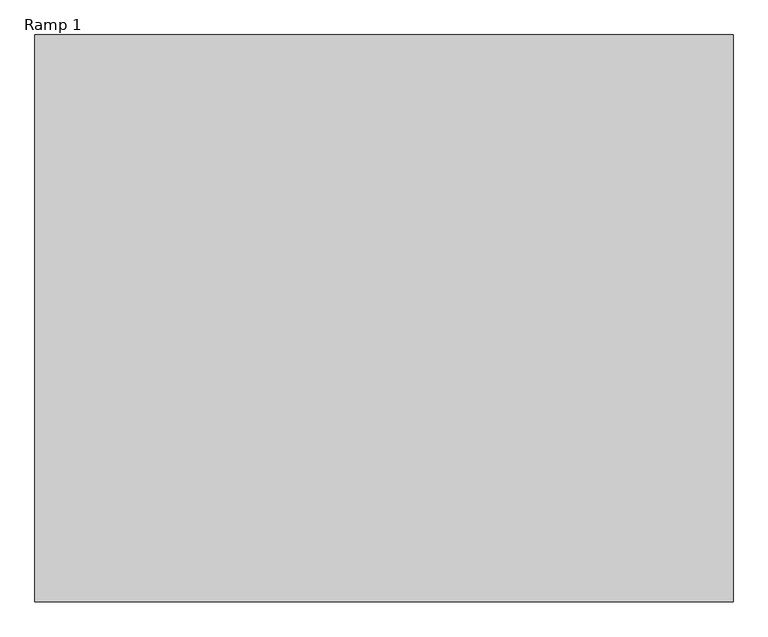
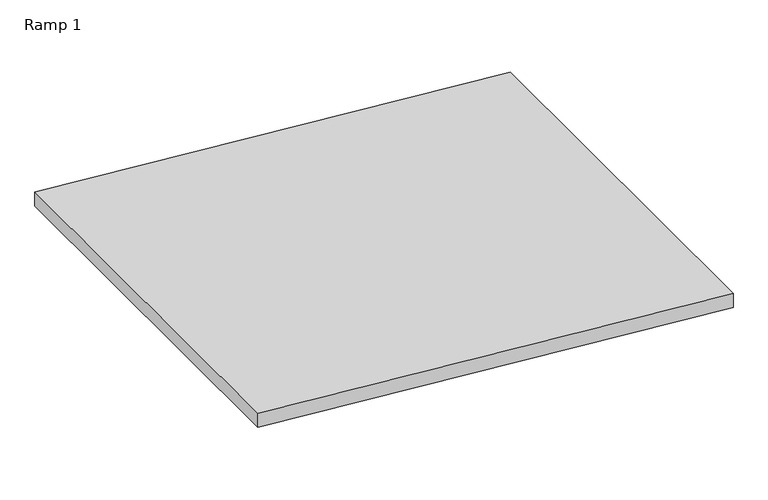
"""IFC4 building model written with IfcOpenShell, lengths in millimetres: ramp geometry, Ramp 1."""

from ifc_helpers import new_model, si_unit, frame, origin, place, context, project, spatial, polyline, outline, extrude, source, transform, mapped, element, save


def ramp_1_7c8136ff(model_context):
    return source(origin(), model_context, "Body", "SweptSolid", [
        extrude(outline(polyline([(-203.2, 248201.4557747), (0.0, 245763.0557747), (-76.4641256, 245763.0557747), (-279.6641256, 248201.4557747), (-203.2, 248201.4557747)])), frame((0.0, 292496.1980843, 0.0), z_axis=(0.0, 1.0, 0.0), x_axis=(0.0, 0.0, 1.0)), (0.0, 0.0, 1.0), 1981.2),
    ])


if __name__ == "__main__":
    model = new_model("IFC4")
    model_context = context("Model", 3, world=origin())
    ifc_project = project(units=[si_unit("LENGTHUNIT", "METRE", prefix="MILLI")], contexts=[model_context])
    site = spatial("IfcSite", under=ifc_project)
    building = spatial("IfcBuilding", under=site)
    placement = place(None, origin())
    ramp_1_shape = ramp_1_7c8136ff(model_context)
    element("IfcRamp", 1, ObjectType="Ramp 1", at=placement, inside=building, context=model_context, shape_type="MappedRepresentation", body=[
        mapped(ramp_1_shape, transform((0.0, 0.0, 0.0), x_axis=(1.0, 0.0, 0.0), y_axis=(0.0, 1.0, 0.0), z_axis=(0.0, 0.0, 1.0))),
    ])
    save(model, "model.ifc")
